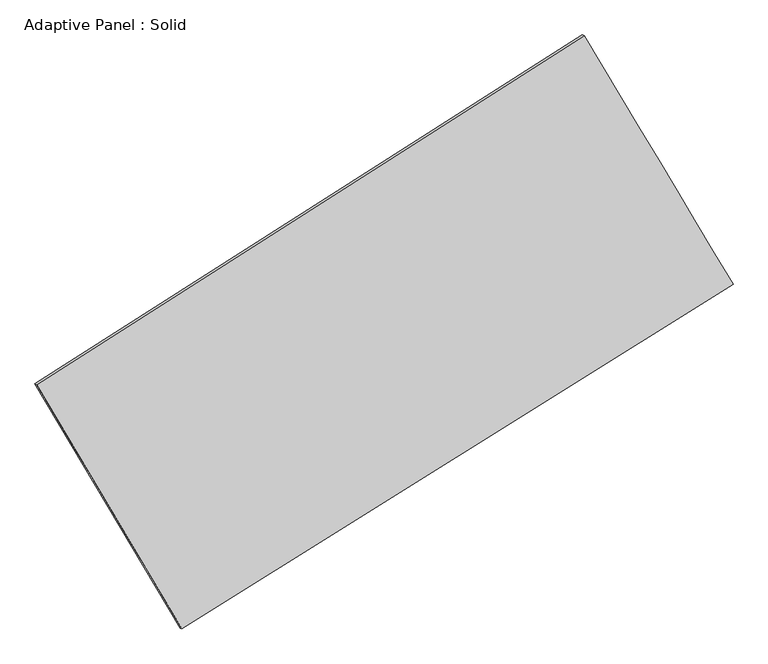
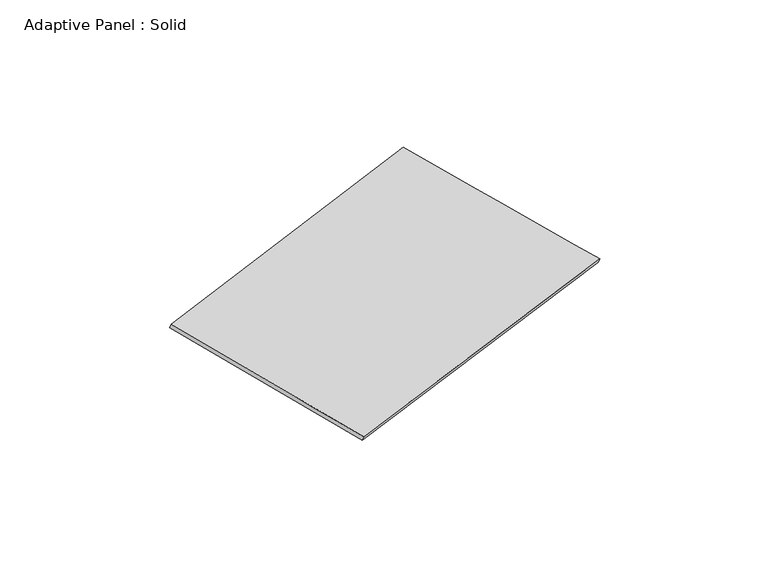
"""IFC4 building model written with IfcOpenShell, lengths in millimetres: plate geometry, Adaptive Panel : Solid."""

from ifc_helpers import new_model, si_unit, frame, origin, place, context, project, spatial, source, transform, mapped, element, save
from ifc_brep_helpers import plane_surface, spline_surface, advanced_brep


def adaptive_panel_solid_9556f7c3(model_context):
    return source(origin(), model_context, "Body", "AdvancedBrep", [
        advanced_brep(
        [(1131.7709773, 2551.5388492, 666.5391796), (-3744.9914194, -556.2221146, 1777.9040392), (-3730.3250635, -562.6022081, 1825.2769473), (1146.4373332, 2545.1587558, 713.9120877), (-2449.5583437, -2733.5295696, 1063.3681665), (-2434.8919879, -2739.9096631, 1110.7410745), (2459.4882076, 337.9642621, -22.6888651), (2474.1545634, 331.5841686, 24.6840429)],
        [
            (0, 1),
            (1, 2),
            (2, 3),
            (3, 0),
            (1, 4),
            (4, 5),
            (5, 2),
            (4, 6),
            (6, 7),
            (7, 5),
            (6, 0),
            (3, 7),
        ],
        [
            plane_surface(frame((-1306.610221, 997.6583673, 1222.2216094), z_axis=(-0.47594593457217627, 0.8400147998802379, 0.2604814836919929), x_axis=(-0.8281639818226495, -0.5277549909193119, 0.18873020100506258))),
            plane_surface(frame((-3097.2748815, -1644.8758421, 1420.6361028), z_axis=(-0.8183273374511507, -0.5458955539607913, 0.1798288434760995), x_axis=(0.49211648567012745, -0.8271279413030336, -0.271441951893013))),
            plane_surface(frame((4.9649319, -1197.7826537, 520.3396507), z_axis=(0.47041351944936344, -0.8435082520774786, -0.25923917411622044), x_axis=(0.8332114957840857, 0.5213240377863062, -0.18433624418282077))),
            plane_surface(frame((1795.6295925, 1444.7515557, 321.9251573), z_axis=(0.8179441506110454, 0.5465369583662536, -0.17962382809900151), x_axis=(-0.4969629225954407, 0.828538239283581, 0.2579772075402432))),
            spline_surface(1, 1, [[(-3730.3250635, -562.6022081, 1825.2769473), (1146.4373332, 2545.1587558, 713.9120877)], [(-2434.8919879, -2739.9096631, 1110.7410745), (2474.1545634, 331.5841686, 24.6840429)]], [2, 2], [2, 2], [0.0, 1.0], [0.0, 1.0]),
            spline_surface(1, 1, [[(2459.4882076, 337.9642621, -22.6888651), (1131.7709773, 2551.5388492, 666.5391796)], [(-2449.5583437, -2733.5295696, 1063.3681665), (-3744.9914194, -556.2221146, 1777.9040392)]], [2, 2], [2, 2], [0.0, 1.0], [0.0, 1.0]),
        ],
        [
            (0, [[1, 2, 3, 4]]),
            (1, [[5, 6, 7, -2]]),
            (2, [[8, 9, 10, -6]]),
            (3, [[11, -4, 12, -9]]),
            (4, [[-3, -7, -10, -12]]),
            (5, [[-11, -8, -5, -1]]),
        ],
    ),
    ])


if __name__ == "__main__":
    model = new_model("IFC4")
    model_context = context("Model", 3, world=origin())
    ifc_project = project(units=[si_unit("LENGTHUNIT", "METRE", prefix="MILLI")], contexts=[model_context])
    site = spatial("IfcSite", under=ifc_project)
    building = spatial("IfcBuilding", under=site)
    placement = place(None, origin())
    adaptive_panel_solid_shape = adaptive_panel_solid_9556f7c3(model_context)
    element("IfcPlate", 1, ObjectType="Adaptive Panel : Solid", at=placement, inside=building, context=model_context, shape_type="MappedRepresentation", body=[
        mapped(adaptive_panel_solid_shape, transform((0.0, 0.0, 0.0), x_axis=(1.0, 0.0, 0.0), y_axis=(0.0, 1.0, 0.0), z_axis=(0.0, 0.0, 1.0))),
    ])
    save(model, "model.ifc")
